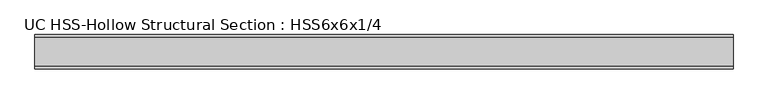
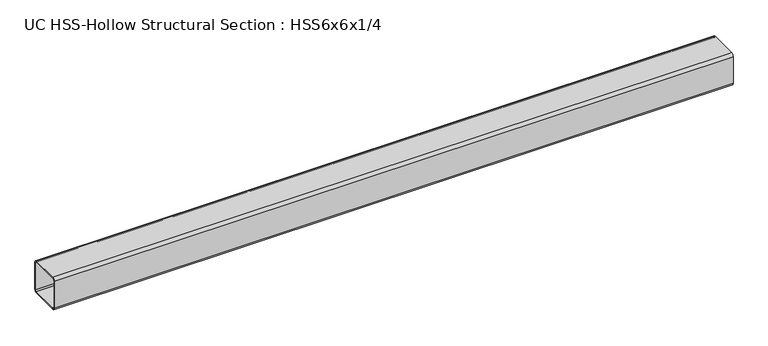
"""IFC4 building model written with IfcOpenShell, lengths in millimetres: beam geometry, UC HSS-Hollow Structural Section : HSS6x6x1/4."""

from ifc_helpers import new_model, si_unit, point, frame, frame_2d, origin, place, context, project, spatial, polyline, circle_curve, trimmed, segment, composite_curve, outline, extrude, source, transform, mapped, element, save


def uc_hss_hollow_structural_section_hss6x6x1_4_91d598ca(model_context):
    return source(origin(), model_context, "Body", "SweptSolid", [
        extrude(outline(composite_curve([segment(trimmed(circle_curve(frame_2d((-64.3636, 64.3636)), 11.8364), [point((-76.2, 64.3636))], [point((-64.3636, 76.2))], False, "CARTESIAN"), True, "CONTINUOUS"), segment(polyline([(-64.3636, 76.2), (64.3636, 76.2)]), True, "CONTINUOUS"), segment(trimmed(circle_curve(frame_2d((64.3636, 64.3636)), 11.8364), [point((64.3636, 76.2))], [point((76.2, 64.3636))], False, "CARTESIAN"), True, "CONTINUOUS"), segment(polyline([(76.2, 64.3636), (76.2, -64.3636)]), True, "CONTINUOUS"), segment(trimmed(circle_curve(frame_2d((64.3636, -64.3636)), 11.8364), [point((76.2, -64.3636))], [point((64.3636, -76.2))], False, "CARTESIAN"), True, "CONTINUOUS"), segment(polyline([(64.3636, -76.2), (-64.3636, -76.2)]), True, "CONTINUOUS"), segment(trimmed(circle_curve(frame_2d((-64.3636, -64.3636)), 11.8364), [point((-64.3636, -76.2))], [point((-76.2, -64.3636))], False, "CARTESIAN"), True, "CONTINUOUS"), segment(polyline([(-76.2, -64.3636), (-76.2, 64.3636)]), True, "CONTINUOUS")], self_intersect=False), holes=[composite_curve([segment(polyline([(64.3636, 70.2818), (-64.3636, 70.2818)]), True, "CONTINUOUS"), segment(trimmed(circle_curve(frame_2d((-64.3636, 64.3636)), 5.9182), [point((-64.3636, 70.2818))], [point((-70.2818, 64.3636))], True, "CARTESIAN"), True, "CONTINUOUS"), segment(polyline([(-70.2818, 64.3636), (-70.2818, -64.3636)]), True, "CONTINUOUS"), segment(trimmed(circle_curve(frame_2d((-64.3636, -64.3636)), 5.9182), [point((-70.2818, -64.3636))], [point((-64.3636, -70.2818))], True, "CARTESIAN"), True, "CONTINUOUS"), segment(polyline([(-64.3636, -70.2818), (64.3636, -70.2818)]), True, "CONTINUOUS"), segment(trimmed(circle_curve(frame_2d((64.3636, -64.3636)), 5.9182), [point((64.3636, -70.2818))], [point((70.2818, -64.3636))], True, "CARTESIAN"), True, "CONTINUOUS"), segment(polyline([(70.2818, -64.3636), (70.2818, 64.3636)]), True, "CONTINUOUS"), segment(trimmed(circle_curve(frame_2d((64.3636, 64.3636)), 5.9182), [point((70.2818, 64.3636))], [point((64.3636, 70.2818))], True, "CARTESIAN"), True, "CONTINUOUS")], self_intersect=False)]), frame((-1222.8816279, 0.0, 0.0), z_axis=(1.0, 0.0, 0.0), x_axis=(0.0, 1.0, 0.0)), (0.0, 0.0, 1.0), 3087.7238985),
    ])


if __name__ == "__main__":
    model = new_model("IFC4")
    model_context = context("Model", 3, world=origin())
    ifc_project = project(units=[si_unit("LENGTHUNIT", "METRE", prefix="MILLI")], contexts=[model_context])
    site = spatial("IfcSite", under=ifc_project)
    building = spatial("IfcBuilding", under=site)
    placement = place(None, origin())
    uc_hss_hollow_structural_section_hss6x6x1_4_shape = uc_hss_hollow_structural_section_hss6x6x1_4_91d598ca(model_context)
    element("IfcBeam", 1, ObjectType="UC HSS-Hollow Structural Section : HSS6x6x1/4", at=placement, inside=building, context=model_context, shape_type="MappedRepresentation", body=[
        mapped(uc_hss_hollow_structural_section_hss6x6x1_4_shape, transform((0.0, 0.0, 0.0), x_axis=(1.0, 0.0, 0.0), y_axis=(0.0, 1.0, 0.0), z_axis=(0.0, 0.0, 1.0))),
    ])
    save(model, "model.ifc")
